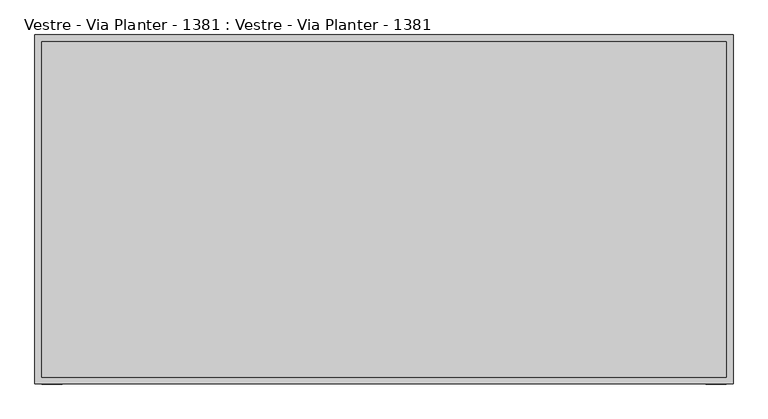
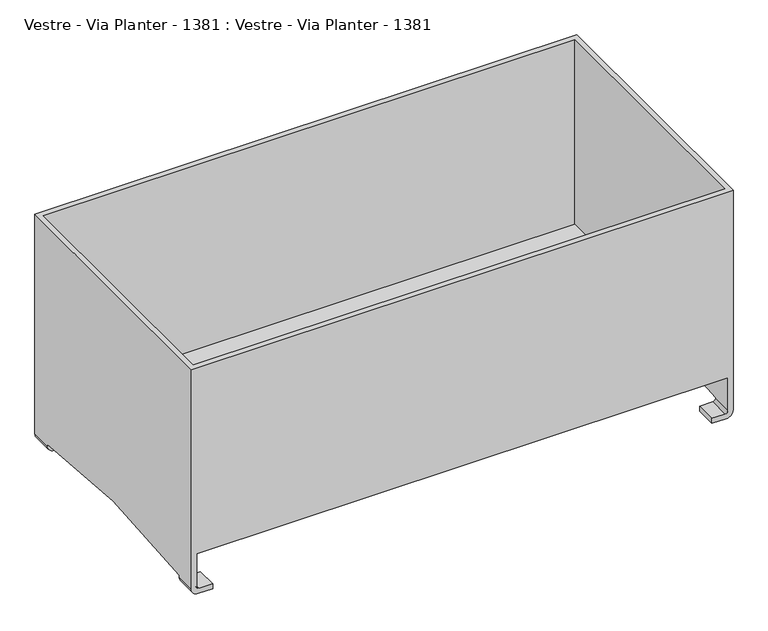
"""IFC4 building model written with IfcOpenShell, lengths in millimetres: furniture geometry, Vestre - Via Planter - 1381 : Vestre - Via Planter - 1381."""

from ifc_helpers import new_model, si_unit, frame, origin, place, context, project, spatial, polyline, circle_curve, outline, extrude, source, transform, mapped, element, save
from ifc_brep_helpers import plane_surface, cylinder_surface, revolved_surface, advanced_brep


def vestre_via_planter_1381_vestre_via_planter_1381_0e17301b(model_context):
    return source(origin(), model_context, "Body", "SolidModel", [
        extrude(outline(polyline([(500.16, 245.0), (500.16, -245.0), (-500.16, -245.0), (-500.16, 245.0), (500.16, 245.0)])), frame((0.0, 0.0, 80.0), z_axis=(0.0, 0.0, 1.0), x_axis=(1.0, 0.0, 0.0)), (0.0, 0.0, 1.0), 3.0),
        advanced_brep(
        [(510.0, 255.0, 13.0669165), (496.9330835, 255.0, 0.0), (469.9901316, 255.0, 0.0), (469.9901316, 255.0, 9.84), (494.7470471, 255.0, 9.84), (500.16, 255.0, 15.2529529), (500.16, 255.0, 80.0), (-500.16, 255.0, 80.0), (-500.16, 255.0, 15.2529529), (-494.7470471, 255.0, 9.84), (-469.9901316, 255.0, 9.84), (-469.9901316, 255.0, 0.0), (-496.9330835, 255.0, 0.0), (-510.0, 255.0, 13.0669165), (-510.0, 255.0, 450.0), (510.0, 255.0, 450.0), (500.16, 215.0, 16.34), (500.16, 215.0, 15.2529529), (494.7470471, 215.0, 9.84), (469.9901316, 215.0, 9.84), (469.9901316, 215.0, 0.0), (496.9330835, 215.0, 0.0), (510.0, 215.0, 13.0669165), (510.0, 215.0, 16.34), (500.16, -215.0, 16.34), (500.16, -215.0, 15.2529529), (500.16, -255.0, 15.2529529), (500.16, -255.0, 80.0), (500.16, -245.0, 80.0), (500.16, -245.0, 450.0), (500.16, 245.0, 450.0), (500.16, 245.0, 80.0), (510.0, -255.0, 450.0), (510.0, -255.0, 13.0669165), (510.0, -215.0, 13.0669165), (510.0, -215.0, 16.34), (-510.0, -255.0, 450.0), (-500.16, -245.0, 450.0), (-500.16, 245.0, 450.0), (494.7470471, -255.0, 9.84), (469.9901316, -255.0, 9.84), (469.9901316, -255.0, 0.0), (496.9330835, -255.0, 0.0), (-510.0, -255.0, 13.0669165), (-496.9330835, -255.0, 0.0), (-469.9901316, -255.0, 0.0), (-469.9901316, -255.0, 9.84), (-494.7470471, -255.0, 9.84), (-500.16, -255.0, 15.2529529), (-500.16, -255.0, 80.0), (496.9330835, -215.0, 0.0), (469.9901316, -215.0, 0.0), (469.9901316, -215.0, 9.84), (494.7470471, -215.0, 9.84), (-500.16, -215.0, 16.34), (-500.16, 215.0, 16.34), (-500.16, 215.0, 15.2529529), (-500.16, 245.0, 80.0), (-500.16, -245.0, 80.0), (-500.16, -215.0, 15.2529529), (-510.0, 215.0, 16.34), (-510.0, -215.0, 16.34), (-510.0, -215.0, 13.0669165), (-510.0, 215.0, 13.0669165), (-494.7470471, -215.0, 9.84), (-469.9901316, -215.0, 9.84), (-469.9901316, -215.0, 0.0), (-496.9330835, -215.0, 0.0), (-496.9330835, 215.0, 0.0), (-469.9901316, 215.0, 0.0), (-469.9901316, 215.0, 9.84), (-494.7470471, 215.0, 9.84)],
        [
            (0, 1, circle_curve(frame((496.9330835, 255.0, 13.0669165), z_axis=(0.0, 1.0, 0.0), x_axis=(-1.0, 0.0, 0.0)), 13.0669165)),
            (1, 2),
            (2, 3),
            (3, 4),
            (4, 5, circle_curve(frame((494.7470471, 255.0, 15.2529529), z_axis=(0.0, -1.0, 0.0), x_axis=(-1.0, 0.0, 0.0)), 5.4129529)),
            (5, 6),
            (6, 7),
            (7, 8),
            (8, 9, circle_curve(frame((-494.7470471, 255.0, 15.2529529), z_axis=(0.0, -1.0, 0.0), x_axis=(1.0, 0.0, 0.0)), 5.4129529)),
            (9, 10),
            (10, 11),
            (11, 12),
            (12, 13, circle_curve(frame((-496.9330835, 255.0, 13.0669165), z_axis=(0.0, 1.0, 0.0), x_axis=(1.0, 0.0, 0.0)), 13.0669165)),
            (13, 14),
            (14, 15),
            (15, 0),
            (16, 17),
            (17, 18, circle_curve(frame((494.7470471, 215.0, 15.2529529), z_axis=(0.0, 1.0, 0.0), x_axis=(-1.0, 0.0, 0.0)), 5.4129529)),
            (18, 19),
            (19, 20),
            (20, 21),
            (21, 22, circle_curve(frame((496.9330835, 215.0, 13.0669165), z_axis=(0.0, -1.0, 0.0), x_axis=(-1.0, 0.0, 0.0)), 13.0669165)),
            (22, 23),
            (23, 16),
            (1, 21),
            (20, 2),
            (19, 3),
            (18, 4),
            (17, 5),
            (16, 24, circle_curve(frame((500.16, 0.0, -1337.7210854), z_axis=(1.0, 0.0, 0.0), x_axis=(0.0, -1.0, 0.0)), 1371.0238594)),
            (24, 25),
            (25, 26),
            (26, 27),
            (27, 28),
            (28, 29),
            (29, 30),
            (30, 31),
            (31, 6),
            (22, 0),
            (15, 32),
            (32, 33),
            (33, 34),
            (34, 35),
            (35, 23, circle_curve(frame((510.0, 0.0, -1337.7210854), z_axis=(-1.0, 0.0, 0.0), x_axis=(0.0, -1.0, 0.0)), 1371.0238594)),
            (35, 24),
            (14, 36),
            (36, 32),
            (29, 37),
            (37, 38),
            (38, 30),
            (26, 39, circle_curve(frame((494.7470471, -255.0, 15.2529529), z_axis=(0.0, 1.0, 0.0), x_axis=(-1.0, 0.0, 0.0)), 5.4129529)),
            (39, 40),
            (40, 41),
            (41, 42),
            (42, 33, circle_curve(frame((496.9330835, -255.0, 13.0669165), z_axis=(0.0, -1.0, 0.0), x_axis=(-1.0, 0.0, 0.0)), 13.0669165)),
            (36, 43),
            (43, 44, circle_curve(frame((-496.9330835, -255.0, 13.0669165), z_axis=(0.0, -1.0, 0.0), x_axis=(1.0, 0.0, 0.0)), 13.0669165)),
            (44, 45),
            (45, 46),
            (46, 47),
            (47, 48, circle_curve(frame((-494.7470471, -255.0, 15.2529529), z_axis=(0.0, 1.0, 0.0), x_axis=(1.0, 0.0, 0.0)), 5.4129529)),
            (48, 49),
            (49, 27),
            (34, 50, circle_curve(frame((496.9330835, -215.0, 13.0669165), z_axis=(0.0, 1.0, 0.0), x_axis=(-1.0, 0.0, 0.0)), 13.0669165)),
            (50, 51),
            (51, 52),
            (52, 53),
            (53, 25, circle_curve(frame((494.7470471, -215.0, 15.2529529), z_axis=(0.0, -1.0, 0.0), x_axis=(-1.0, 0.0, 0.0)), 5.4129529)),
            (41, 51),
            (50, 42),
            (40, 52),
            (39, 53),
            (54, 55, circle_curve(frame((-500.16, 0.0, -1337.7210854), z_axis=(-1.0, 0.0, 0.0), x_axis=(0.0, -1.0, 0.0)), 1371.0238594)),
            (55, 56),
            (56, 8),
            (7, 57),
            (57, 38),
            (37, 58),
            (58, 49),
            (48, 59),
            (59, 54),
            (60, 61, circle_curve(frame((-510.0, 0.0, -1337.7210854), z_axis=(1.0, 0.0, 0.0), x_axis=(0.0, -1.0, 0.0)), 1371.0238594)),
            (61, 62),
            (62, 43),
            (13, 63),
            (63, 60),
            (54, 61),
            (60, 55),
            (59, 64, circle_curve(frame((-494.7470471, -215.0, 15.2529529), z_axis=(0.0, -1.0, 0.0), x_axis=(1.0, 0.0, 0.0)), 5.4129529)),
            (64, 65),
            (65, 66),
            (66, 67),
            (67, 62, circle_curve(frame((-496.9330835, -215.0, 13.0669165), z_axis=(0.0, 1.0, 0.0), x_axis=(1.0, 0.0, 0.0)), 13.0669165)),
            (44, 67),
            (66, 45),
            (65, 46),
            (64, 47),
            (63, 68, circle_curve(frame((-496.9330835, 215.0, 13.0669165), z_axis=(0.0, -1.0, 0.0), x_axis=(1.0, 0.0, 0.0)), 13.0669165)),
            (68, 69),
            (69, 70),
            (70, 71),
            (71, 56, circle_curve(frame((-494.7470471, 215.0, 15.2529529), z_axis=(0.0, 1.0, 0.0), x_axis=(1.0, 0.0, 0.0)), 5.4129529)),
            (11, 69),
            (68, 12),
            (10, 70),
            (9, 71),
            (28, 58),
            (57, 31),
        ],
        [
            plane_surface(frame((510.0, 255.0, 16.34), z_axis=(0.0, 1.0, 0.0), x_axis=(1.0, 0.0, 0.0))),
            plane_surface(frame((510.0, 215.0, 16.34), z_axis=(0.0, -1.0, 0.0), x_axis=(-1.0, 0.0, 0.0))),
            plane_surface(frame((496.9330835, 255.0, 0.0), z_axis=(0.0, 0.0, -1.0), x_axis=(0.0, -1.0, 0.0))),
            plane_surface(frame((469.9901316, 255.0, 0.0), z_axis=(-1.0, 0.0, 0.0), x_axis=(0.0, -1.0, 0.0))),
            plane_surface(frame((469.9901316, 255.0, 9.84), z_axis=(0.0, 0.0, 1.0), x_axis=(0.0, -1.0, 0.0))),
            revolved_surface(polyline([(489.3340942, 215.0, 15.2529529), (489.3340942, 255.0, 15.2529529)]), (494.7470471, 215.0, 15.2529529), (0.0, -1.0, 0.0)),
            plane_surface(frame((500.16, 255.0, 15.2529529), z_axis=(-1.0, 0.0, 0.0), x_axis=(0.0, -1.0, 0.0))),
            plane_surface(frame((510.0, 255.0, 16.34), z_axis=(1.0, 0.0, 0.0), x_axis=(0.0, -1.0, 0.0))),
            cylinder_surface(frame((496.9330835, 215.0, 13.0669165), z_axis=(0.0, 1.0, 0.0), x_axis=(-1.0, 0.0, 0.0)), 13.0669165),
            revolved_surface(polyline([(510.0, -1371.0238594, -1337.7210854), (500.16, -1371.0238594, -1337.7210854)]), (510.0, 0.0, -1337.7210854), (1.0, 0.0, 0.0)),
            plane_surface(frame((500.16, -245.0, 450.0), z_axis=(0.0, 0.0, 1.0), x_axis=(1.0, 0.0, 0.0))),
            plane_surface(frame((500.16, -255.0, 16.34), z_axis=(0.0, -1.0, 0.0), x_axis=(1.0, 0.0, 0.0))),
            plane_surface(frame((500.16, -215.0, 16.34), z_axis=(0.0, 1.0, 0.0), x_axis=(0.0, 0.0, 1.0))),
            plane_surface(frame((469.9901316, -255.0, 0.0), z_axis=(0.0, 0.0, -1.0), x_axis=(0.0, 1.0, 0.0))),
            plane_surface(frame((469.9901316, -255.0, 9.84), z_axis=(-1.0, 0.0, 0.0), x_axis=(0.0, 1.0, 0.0))),
            plane_surface(frame((494.7470471, -255.0, 9.84), z_axis=(0.0, 0.0, 1.0), x_axis=(0.0, 1.0, 0.0))),
            revolved_surface(polyline([(489.3340942, -215.0, 15.2529529), (489.3340942, -255.0, 15.2529529)]), (494.7470471, -215.0, 15.2529529), (0.0, 1.0, 0.0)),
            cylinder_surface(frame((496.9330835, -215.0, 13.0669165), z_axis=(0.0, -1.0, 0.0), x_axis=(-1.0, 0.0, 0.0)), 13.0669165),
            plane_surface(frame((-500.16, -215.0031249, 16.34), z_axis=(1.0, 0.0, 0.0), x_axis=(0.0, 1.0, 0.0))),
            plane_surface(frame((-510.0, -215.0031249, 16.34), z_axis=(-1.0, 0.0, 0.0), x_axis=(0.0, -1.0, 0.0))),
            revolved_surface(polyline([(-510.0, -1371.0238594, -1337.7210854), (-500.16, -1371.0238594, -1337.7210854)]), (-510.0, 0.0, -1337.7210854), (-1.0, 0.0, 0.0)),
            plane_surface(frame((-510.0, -215.0, 16.34), z_axis=(0.0, 1.0, 0.0), x_axis=(1.0, 0.0, 0.0))),
            plane_surface(frame((-496.9330835, -255.0, 0.0), z_axis=(0.0, 0.0, -1.0), x_axis=(0.0, 1.0, 0.0))),
            plane_surface(frame((-469.9901316, -255.0, 0.0), z_axis=(1.0, 0.0, 0.0), x_axis=(0.0, 1.0, 0.0))),
            plane_surface(frame((-469.9901316, -255.0, 9.84), z_axis=(0.0, 0.0, 1.0), x_axis=(0.0, 1.0, 0.0))),
            revolved_surface(polyline([(-489.3340942, -215.0, 15.2529529), (-489.3340942, -255.0, 15.2529529)]), (-494.7470471, -215.0, 15.2529529), (0.0, 1.0, 0.0)),
            cylinder_surface(frame((-496.9330835, -215.0, 13.0669165), z_axis=(0.0, -1.0, 0.0), x_axis=(1.0, 0.0, 0.0)), 13.0669165),
            plane_surface(frame((-500.16, 215.0, 16.34), z_axis=(0.0, -1.0, 0.0), x_axis=(0.0, 0.0, 1.0))),
            plane_surface(frame((-469.9901316, 255.0, 0.0), z_axis=(0.0, 0.0, -1.0), x_axis=(0.0, -1.0, 0.0))),
            plane_surface(frame((-469.9901316, 255.0, 9.84), z_axis=(1.0, 0.0, 0.0), x_axis=(0.0, -1.0, 0.0))),
            plane_surface(frame((-494.7470471, 255.0, 9.84), z_axis=(0.0, 0.0, 1.0), x_axis=(0.0, -1.0, 0.0))),
            revolved_surface(polyline([(-489.3340942, 215.0, 15.2529529), (-489.3340942, 255.0, 15.2529529)]), (-494.7470471, 215.0, 15.2529529), (0.0, -1.0, 0.0)),
            cylinder_surface(frame((-496.9330835, 215.0, 13.0669165), z_axis=(0.0, 1.0, 0.0), x_axis=(1.0, 0.0, 0.0)), 13.0669165),
            plane_surface(frame((-510.0, -245.0, 450.0), z_axis=(0.0, 1.0, 0.0), x_axis=(0.0, 0.0, 1.0))),
            plane_surface(frame((-510.0, -255.0, 80.0), z_axis=(0.0, 0.0, -1.0), x_axis=(0.0, 1.0, 0.0))),
            plane_surface(frame((510.0, 245.0, 450.0), z_axis=(0.0, -1.0, 0.0), x_axis=(-1.0, 0.0, 0.0))),
            plane_surface(frame((510.0, 255.0, 80.0), z_axis=(0.0, 0.0, -1.0), x_axis=(0.0, -1.0, 0.0))),
        ],
        [
            (0, [[1, 2, 3, 4, 5, 6, 7, 8, 9, 10, 11, 12, 13, 14, 15, 16]]),
            (1, [[17, 18, 19, 20, 21, 22, 23, 24]]),
            (2, [[-2, 25, -21, 26]]),
            (3, [[-3, -26, -20, 27]]),
            (4, [[-4, -27, -19, 28]]),
            (5, [[-5, -28, -18, 29]]),
            (6, [[-17, 30, 31, 32, 33, 34, 35, 36, 37, 38, -6, -29]]),
            (7, [[-23, 39, -16, 40, 41, 42, 43, 44]]),
            (8, [[-1, -39, -22, -25]]),
            (9, [[-30, -24, -44, 45]]),
            (10, [[-40, -15, 46, 47], [-36, 48, 49, 50]]),
            (11, [[51, 52, 53, 54, 55, -41, -47, 56, 57, 58, 59, 60, 61, 62, 63, -33]]),
            (12, [[-43, 64, 65, 66, 67, 68, -31, -45]]),
            (13, [[-54, 69, -65, 70]]),
            (14, [[-53, 71, -66, -69]]),
            (15, [[-52, 72, -67, -71]]),
            (16, [[-51, -32, -68, -72]]),
            (17, [[-55, -70, -64, -42]]),
            (18, [[73, 74, 75, -8, 76, 77, -49, 78, 79, -62, 80, 81]]),
            (19, [[82, 83, 84, -56, -46, -14, 85, 86]]),
            (20, [[-73, 87, -82, 88]]),
            (21, [[-81, 89, 90, 91, 92, 93, -83, -87]]),
            (22, [[-58, 94, -92, 95]]),
            (23, [[-59, -95, -91, 96]]),
            (24, [[-60, -96, -90, 97]]),
            (25, [[-61, -97, -89, -80]]),
            (26, [[-57, -84, -93, -94]]),
            (27, [[-86, 98, 99, 100, 101, 102, -74, -88]]),
            (28, [[-12, 103, -99, 104]]),
            (29, [[-11, 105, -100, -103]]),
            (30, [[-10, 106, -101, -105]]),
            (31, [[-9, -75, -102, -106]]),
            (32, [[-13, -104, -98, -85]]),
            (33, [[-48, -35, 107, -78]]),
            (34, [[-107, -34, -63, -79]]),
            (35, [[-50, -77, 108, -37]]),
            (36, [[-7, -38, -108, -76]]),
        ],
    ),
    ])


if __name__ == "__main__":
    model = new_model("IFC4")
    model_context = context("Model", 3, world=origin())
    ifc_project = project(units=[si_unit("LENGTHUNIT", "METRE", prefix="MILLI")], contexts=[model_context])
    site = spatial("IfcSite", under=ifc_project)
    building = spatial("IfcBuilding", under=site)
    placement = place(None, origin())
    vestre_via_planter_1381_vestre_via_planter_1381_shape = vestre_via_planter_1381_vestre_via_planter_1381_0e17301b(model_context)
    element("IfcFurniture", 1, ObjectType="Vestre - Via Planter - 1381 : Vestre - Via Planter - 1381", at=placement, inside=building, context=model_context, shape_type="MappedRepresentation", body=[
        mapped(vestre_via_planter_1381_vestre_via_planter_1381_shape, transform((0.0, 0.0, 0.0), x_axis=(1.0, 0.0, 0.0), y_axis=(0.0, 1.0, 0.0), z_axis=(0.0, 0.0, 1.0))),
    ])
    save(model, "model.ifc")
